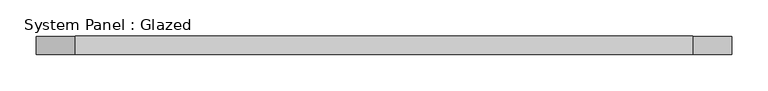
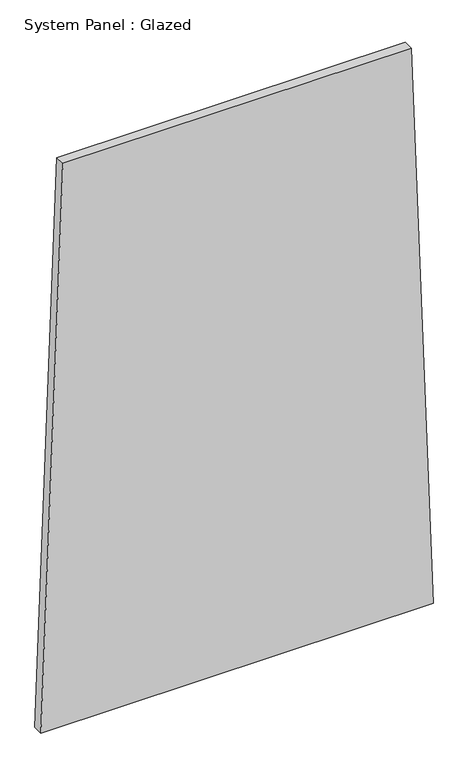
"""IFC4 building model written with IfcOpenShell, lengths in millimetres: plate geometry, System Panel : Glazed."""

from ifc_helpers import new_model, si_unit, frame, origin, place, context, project, spatial, polyline, outline, extrude, source, transform, mapped, element, save


def system_panel_glazed_b8f4ca74(model_context):
    return source(origin(), model_context, "Body", "SweptSolid", [
        extrude(outline(polyline([(0.0, -477.938805), (0.0, 477.938805), (1448.9719743, 424.2738238), (1448.972141, -424.2685865), (0.0, -477.938805)])), frame((0.0, -49.5, 0.0), z_axis=(0.0, 1.0, 0.0), x_axis=(0.0, 0.0, 1.0)), (0.0, 0.0, 1.0), 25.0),
    ])


if __name__ == "__main__":
    model = new_model("IFC4")
    model_context = context("Model", 3, world=origin())
    ifc_project = project(units=[si_unit("LENGTHUNIT", "METRE", prefix="MILLI")], contexts=[model_context])
    site = spatial("IfcSite", under=ifc_project)
    building = spatial("IfcBuilding", under=site)
    placement = place(None, origin())
    system_panel_glazed_shape = system_panel_glazed_b8f4ca74(model_context)
    element("IfcPlate", 1, ObjectType="System Panel : Glazed", at=placement, inside=building, context=model_context, shape_type="MappedRepresentation", body=[
        mapped(system_panel_glazed_shape, transform((0.0, 0.0, 0.0), x_axis=(1.0, 0.0, 0.0), y_axis=(0.0, 1.0, 0.0), z_axis=(0.0, 0.0, 1.0))),
    ])
    save(model, "model.ifc")
